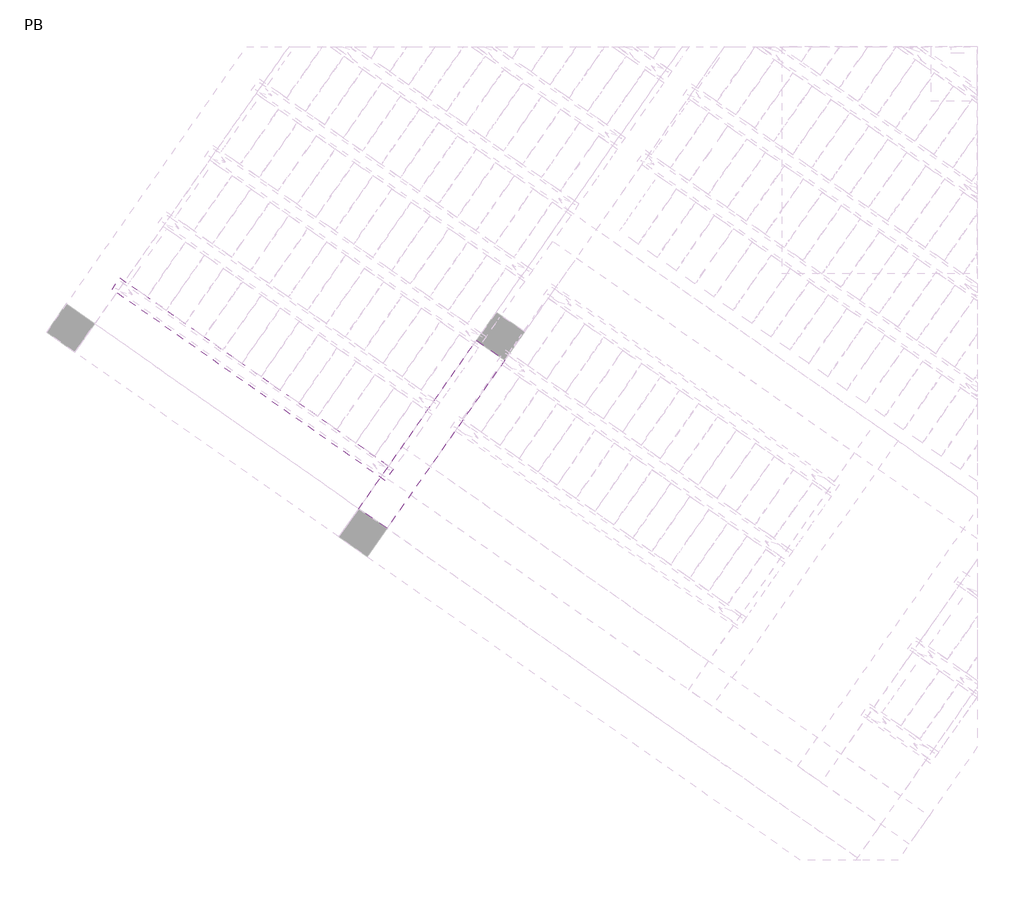
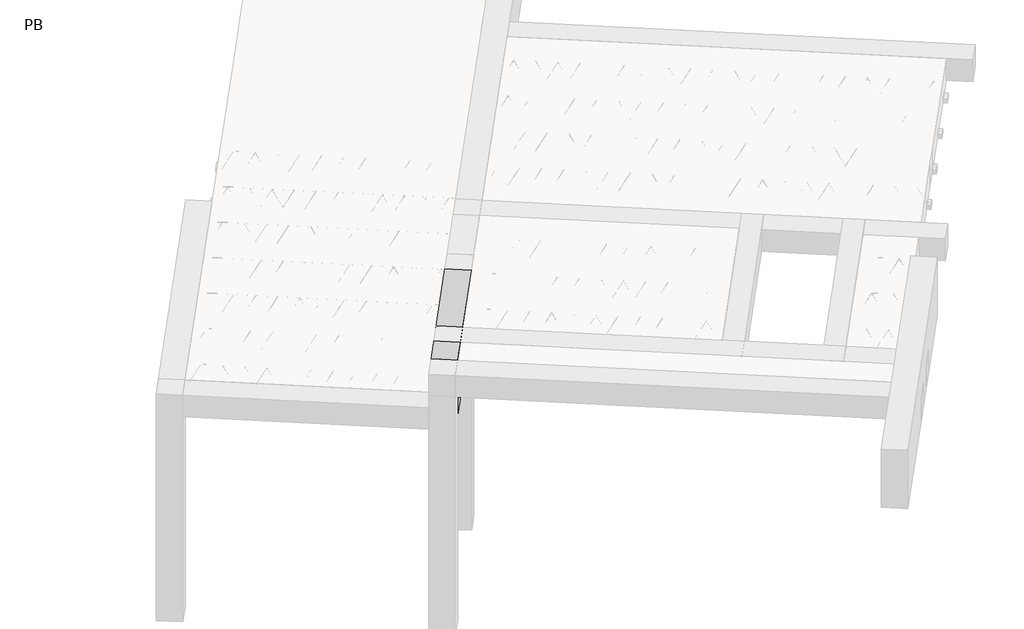
# One storey, part 6 of 56: 3 beams.
"""IFC4 building model written with IfcOpenShell, lengths in millimetres."""

from ifc_helpers import new_model, si_unit, point, frame, origin, origin_2d, place, context, project, spatial, polyline, circle_curve, trimmed, segment, composite_curve, outline, extrude, element, save

model = new_model("IFC4")

# Units and contexts
model_context = context("Model", 3, world=origin())
ifc_project = project(units=[si_unit("LENGTHUNIT", "METRE", prefix="MILLI")], contexts=[model_context])

# Site, building, storey
site = spatial("IfcSite", under=ifc_project)
building = spatial("IfcBuilding", under=site)
storey = spatial("IfcBuildingStorey", under=building, Name="PB", Elevation=95940.0)

# Beams
placement = place(None, origin())
element("IfcBeam", 1, at=placement, inside=storey, context=model_context, shape_type="SweptSolid", body=[
    extrude(outline(polyline([(-1214.677489, 2669.8249768), (-1145.8483166, 2768.1232221), (1217.2245664, 1113.481776), (1148.395394, 1015.1835307), (-1214.677489, 2669.8249768)])), frame((0.0, 0.0, 98760.0), z_axis=(0.0, 0.0, 1.0), x_axis=(1.0, 0.0, 0.0)), (0.0, 0.0, 1.0), 50.0),
    extrude(outline(composite_curve([segment(trimmed(circle_curve(origin_2d(), 2.5), [point((-2.5, 0.0))], [point((2.5, 0.0))], False, "CARTESIAN"), True, "CONTINUOUS"), segment(trimmed(circle_curve(origin_2d(), 2.5), [point((2.5, 0.0))], [point((-2.5, 0.0))], False, "CARTESIAN"), True, "CONTINUOUS")], self_intersect=False)), frame((1142.5015794, 1048.6090142, 98785.0), z_axis=(-0.8191520442696126, 0.5735764363787226, 0.0), x_axis=(0.5735764363787226, 0.8191520442696126, 0.0)), (0.0, 0.0, 1.0), 2836.779327),
    extrude(outline(composite_curve([segment(trimmed(circle_curve(origin_2d(), 2.5), [point((-2.4999999, 0.0))], [point((2.5, 0.0))], False, "CARTESIAN"), True, "CONTINUOUS"), segment(trimmed(circle_curve(origin_2d(), 2.5), [point((2.5, 0.0))], [point((-2.4999999, 0.0))], False, "CARTESIAN"), True, "CONTINUOUS")], self_intersect=False)), frame((1066.1711962, 1146.0040091, 99010.0), z_axis=(-0.8191520442696126, 0.5735764363787226, 0.0), x_axis=(0.5735764363787226, 0.8191520442696126, 0.0)), (0.0, 0.0, 1.0), 2600.0),
    extrude(outline(composite_curve([segment(trimmed(circle_curve(origin_2d(), 2.5), [point((-2.5, 0.0))], [point((2.5, 1e-07))], False, "CARTESIAN"), True, "CONTINUOUS"), segment(trimmed(circle_curve(origin_2d(), 2.5), [point((2.5, 1e-07))], [point((-2.5, 0.0))], False, "CARTESIAN"), True, "CONTINUOUS")], self_intersect=False)), frame((1106.9588479, 1073.4963027, 98785.0), z_axis=(-0.3145304735701046, 0.38933448886848654, 0.8657304643902053), x_axis=(0.7778747638402499, 0.6284193279813057, 0.0)), (0.0, 0.0, 1.0), 259.8961331),
    extrude(outline(composite_curve([segment(trimmed(circle_curve(origin_2d(), 2.5), [point((2.5, 0.0))], [point((-2.5, 0.0))], False, "CARTESIAN"), True, "CONTINUOUS"), segment(trimmed(circle_curve(origin_2d(), 2.5), [point((-2.5, 0.0))], [point((2.5, 0.0))], False, "CARTESIAN"), True, "CONTINUOUS")], self_intersect=False)), frame((902.1708368, 1216.8904119, 98785.0), z_axis=(0.47343050384693375, -0.16240172737369005, 0.8657304643902051), x_axis=(-0.3244721671091268, -0.9458952440791246, 0.0)), (0.0, 0.0, 1.0), 259.8961331),
    extrude(outline(composite_curve([segment(trimmed(circle_curve(origin_2d(), 2.5), [point((-2.5, -1e-07))], [point((2.5, 0.0))], False, "CARTESIAN"), True, "CONTINUOUS"), segment(trimmed(circle_curve(origin_2d(), 2.5), [point((2.5, 0.0))], [point((-2.5, -1e-07))], False, "CARTESIAN"), True, "CONTINUOUS")], self_intersect=False)), frame((902.1708368, 1216.8904119, 98785.0), z_axis=(-0.3145304735701046, 0.38933448886848654, 0.8657304643902053), x_axis=(0.7778747638402499, 0.6284193279813057, 0.0)), (0.0, 0.0, 1.0), 259.8961331),
    extrude(outline(composite_curve([segment(trimmed(circle_curve(origin_2d(), 2.5), [point((2.5000001, 0.0))], [point((-2.5, 0.0))], False, "CARTESIAN"), True, "CONTINUOUS"), segment(trimmed(circle_curve(origin_2d(), 2.5), [point((-2.5, 0.0))], [point((2.5000001, 0.0))], False, "CARTESIAN"), True, "CONTINUOUS")], self_intersect=False)), frame((697.3828257, 1360.284521, 98785.0), z_axis=(0.47343050384693375, -0.16240172737369005, 0.8657304643902051), x_axis=(-0.3244721671091268, -0.9458952440791246, 0.0)), (0.0, 0.0, 1.0), 259.8961331),
    extrude(outline(composite_curve([segment(trimmed(circle_curve(origin_2d(), 2.5), [point((-2.5, -1e-07))], [point((2.5, 0.0))], False, "CARTESIAN"), True, "CONTINUOUS"), segment(trimmed(circle_curve(origin_2d(), 2.5), [point((2.5, 0.0))], [point((-2.5, -1e-07))], False, "CARTESIAN"), True, "CONTINUOUS")], self_intersect=False)), frame((697.3828257, 1360.284521, 98785.0), z_axis=(-0.3145304735701046, 0.38933448886848654, 0.8657304643902053), x_axis=(0.7778747638402499, 0.6284193279813057, 0.0)), (0.0, 0.0, 1.0), 259.8961331),
    extrude(outline(composite_curve([segment(trimmed(circle_curve(origin_2d(), 2.5), [point((2.5000001, 0.0))], [point((-2.5, 0.0))], False, "CARTESIAN"), True, "CONTINUOUS"), segment(trimmed(circle_curve(origin_2d(), 2.5), [point((-2.5, 0.0))], [point((2.5000001, 0.0))], False, "CARTESIAN"), True, "CONTINUOUS")], self_intersect=False)), frame((492.5948147, 1503.6786301, 98785.0), z_axis=(0.47343050384693375, -0.16240172737369005, 0.8657304643902051), x_axis=(-0.3244721671091268, -0.9458952440791246, 0.0)), (0.0, 0.0, 1.0), 259.8961331),
    extrude(outline(composite_curve([segment(trimmed(circle_curve(origin_2d(), 2.5), [point((-2.5000001, 0.0))], [point((2.5, 0.0))], False, "CARTESIAN"), True, "CONTINUOUS"), segment(trimmed(circle_curve(origin_2d(), 2.5), [point((2.5, 0.0))], [point((-2.5000001, 0.0))], False, "CARTESIAN"), True, "CONTINUOUS")], self_intersect=False)), frame((492.5948147, 1503.6786301, 98785.0), z_axis=(-0.3145304735701046, 0.38933448886848654, 0.8657304643902053), x_axis=(0.7778747638402499, 0.6284193279813057, 0.0)), (0.0, 0.0, 1.0), 259.8961331),
    extrude(outline(composite_curve([segment(trimmed(circle_curve(origin_2d(), 2.5), [point((2.5, 0.0))], [point((-2.5000001, 0.0))], False, "CARTESIAN"), True, "CONTINUOUS"), segment(trimmed(circle_curve(origin_2d(), 2.5), [point((-2.5000001, 0.0))], [point((2.5, 0.0))], False, "CARTESIAN"), True, "CONTINUOUS")], self_intersect=False)), frame((287.8068036, 1647.0727391, 98785.0), z_axis=(0.47343050384693375, -0.16240172737369005, 0.8657304643902051), x_axis=(-0.3244721671091268, -0.9458952440791246, 0.0)), (0.0, 0.0, 1.0), 259.8961331),
    extrude(outline(composite_curve([segment(trimmed(circle_curve(origin_2d(), 2.5), [point((-2.5, -1e-07))], [point((2.5, 0.0))], False, "CARTESIAN"), True, "CONTINUOUS"), segment(trimmed(circle_curve(origin_2d(), 2.5), [point((2.5, 0.0))], [point((-2.5, -1e-07))], False, "CARTESIAN"), True, "CONTINUOUS")], self_intersect=False)), frame((287.806804, 1647.0727389, 98785.0), z_axis=(-0.3145304735701046, 0.38933448886848654, 0.8657304643902053), x_axis=(0.7778747638402499, 0.6284193279813057, 0.0)), (0.0, 0.0, 1.0), 259.8961331),
    extrude(outline(composite_curve([segment(trimmed(circle_curve(origin_2d(), 2.5), [point((2.5000001, 0.0))], [point((-2.5, 1e-07))], False, "CARTESIAN"), True, "CONTINUOUS"), segment(trimmed(circle_curve(origin_2d(), 2.5), [point((-2.5, 1e-07))], [point((2.5000001, 0.0))], False, "CARTESIAN"), True, "CONTINUOUS")], self_intersect=False)), frame((83.0187929, 1790.466848, 98785.0), z_axis=(0.47343050384693375, -0.16240172737369005, 0.8657304643902051), x_axis=(-0.3244721671091268, -0.9458952440791246, 0.0)), (0.0, 0.0, 1.0), 259.8961331),
    extrude(outline(composite_curve([segment(trimmed(circle_curve(origin_2d(), 2.5), [point((-2.5, -1e-07))], [point((2.5, 0.0))], False, "CARTESIAN"), True, "CONTINUOUS"), segment(trimmed(circle_curve(origin_2d(), 2.5), [point((2.5, 0.0))], [point((-2.5, -1e-07))], False, "CARTESIAN"), True, "CONTINUOUS")], self_intersect=False)), frame((83.0187929, 1790.466848, 98785.0), z_axis=(-0.3145304735701046, 0.38933448886848654, 0.8657304643902053), x_axis=(0.7778747638402499, 0.6284193279813057, 0.0)), (0.0, 0.0, 1.0), 259.8961331),
    extrude(outline(composite_curve([segment(trimmed(circle_curve(origin_2d(), 2.5), [point((2.5000001, 0.0))], [point((-2.5, 0.0))], False, "CARTESIAN"), True, "CONTINUOUS"), segment(trimmed(circle_curve(origin_2d(), 2.5), [point((-2.5, 0.0))], [point((2.5000001, 0.0))], False, "CARTESIAN"), True, "CONTINUOUS")], self_intersect=False)), frame((-121.7692181, 1933.8609571, 98785.0), z_axis=(0.47343050384693375, -0.16240172737369005, 0.8657304643902051), x_axis=(-0.3244721671091268, -0.9458952440791246, 0.0)), (0.0, 0.0, 1.0), 259.8961331),
    extrude(outline(composite_curve([segment(trimmed(circle_curve(origin_2d(), 2.5), [point((-2.5, -1e-07))], [point((2.5, 0.0))], False, "CARTESIAN"), True, "CONTINUOUS"), segment(trimmed(circle_curve(origin_2d(), 2.5), [point((2.5, 0.0))], [point((-2.5, -1e-07))], False, "CARTESIAN"), True, "CONTINUOUS")], self_intersect=False)), frame((-121.7692181, 1933.8609571, 98785.0), z_axis=(-0.3145304735701046, 0.38933448886848654, 0.8657304643902053), x_axis=(0.7778747638402499, 0.6284193279813057, 0.0)), (0.0, 0.0, 1.0), 259.8961331),
    extrude(outline(composite_curve([segment(trimmed(circle_curve(origin_2d(), 2.5), [point((2.5, 0.0))], [point((-2.5000001, 0.0))], False, "CARTESIAN"), True, "CONTINUOUS"), segment(trimmed(circle_curve(origin_2d(), 2.5), [point((-2.5000001, 0.0))], [point((2.5, 0.0))], False, "CARTESIAN"), True, "CONTINUOUS")], self_intersect=False)), frame((-326.5572292, 2077.2550661, 98785.0), z_axis=(0.47343050384693375, -0.16240172737369005, 0.8657304643902051), x_axis=(-0.3244721671091268, -0.9458952440791246, 0.0)), (0.0, 0.0, 1.0), 259.8961331),
    extrude(outline(composite_curve([segment(trimmed(circle_curve(origin_2d(), 2.5), [point((-2.5, 0.0))], [point((2.5, 1e-07))], False, "CARTESIAN"), True, "CONTINUOUS"), segment(trimmed(circle_curve(origin_2d(), 2.5), [point((2.5, 1e-07))], [point((-2.5, 0.0))], False, "CARTESIAN"), True, "CONTINUOUS")], self_intersect=False)), frame((-326.5572292, 2077.2550661, 98785.0), z_axis=(-0.3145304735701046, 0.38933448886848654, 0.8657304643902053), x_axis=(0.7778747638402499, 0.6284193279813057, 0.0)), (0.0, 0.0, 1.0), 259.8961331),
    extrude(outline(composite_curve([segment(trimmed(circle_curve(origin_2d(), 2.5), [point((2.5, 0.0))], [point((-2.5000001, 0.0))], False, "CARTESIAN"), True, "CONTINUOUS"), segment(trimmed(circle_curve(origin_2d(), 2.5), [point((-2.5000001, 0.0))], [point((2.5, 0.0))], False, "CARTESIAN"), True, "CONTINUOUS")], self_intersect=False)), frame((-531.3452403, 2220.6491752, 98785.0), z_axis=(0.47343050384693375, -0.16240172737369005, 0.8657304643902051), x_axis=(-0.3244721671091268, -0.9458952440791246, 0.0)), (0.0, 0.0, 1.0), 259.8961331),
    extrude(outline(composite_curve([segment(trimmed(circle_curve(origin_2d(), 2.5), [point((-2.5, 0.0))], [point((2.5, 1e-07))], False, "CARTESIAN"), True, "CONTINUOUS"), segment(trimmed(circle_curve(origin_2d(), 2.5), [point((2.5, 1e-07))], [point((-2.5, 0.0))], False, "CARTESIAN"), True, "CONTINUOUS")], self_intersect=False)), frame((-531.3452403, 2220.6491752, 98785.0), z_axis=(-0.3145304735701046, 0.38933448886848654, 0.8657304643902053), x_axis=(0.7778747638402499, 0.6284193279813057, 0.0)), (0.0, 0.0, 1.0), 259.8961331),
    extrude(outline(composite_curve([segment(trimmed(circle_curve(origin_2d(), 2.5), [point((2.5, -1e-07))], [point((-2.5, 0.0))], False, "CARTESIAN"), True, "CONTINUOUS"), segment(trimmed(circle_curve(origin_2d(), 2.5), [point((-2.5, 0.0))], [point((2.5, -1e-07))], False, "CARTESIAN"), True, "CONTINUOUS")], self_intersect=False)), frame((-736.1332513, 2364.0432843, 98785.0), z_axis=(0.47343050384693375, -0.16240172737369005, 0.8657304643902051), x_axis=(-0.3244721671091268, -0.9458952440791246, 0.0)), (0.0, 0.0, 1.0), 259.8961331),
    extrude(outline(composite_curve([segment(trimmed(circle_curve(origin_2d(), 2.5), [point((-2.5, 0.0))], [point((2.5, 1e-07))], False, "CARTESIAN"), True, "CONTINUOUS"), segment(trimmed(circle_curve(origin_2d(), 2.5), [point((2.5, 1e-07))], [point((-2.5, 0.0))], False, "CARTESIAN"), True, "CONTINUOUS")], self_intersect=False)), frame((-736.1332513, 2364.0432843, 98785.0), z_axis=(-0.3145304735701046, 0.38933448886848654, 0.8657304643902053), x_axis=(0.7778747638402499, 0.6284193279813057, 0.0)), (0.0, 0.0, 1.0), 259.8961331),
    extrude(outline(composite_curve([segment(trimmed(circle_curve(origin_2d(), 2.5), [point((2.5, 0.0))], [point((-2.5, 0.0))], False, "CARTESIAN"), True, "CONTINUOUS"), segment(trimmed(circle_curve(origin_2d(), 2.5), [point((-2.5, 0.0))], [point((2.5, 0.0))], False, "CARTESIAN"), True, "CONTINUOUS")], self_intersect=False)), frame((-940.9212624, 2507.4373934, 98785.0), z_axis=(0.47343050384693375, -0.16240172737369005, 0.8657304643902051), x_axis=(-0.3244721671091268, -0.9458952440791246, 0.0)), (0.0, 0.0, 1.0), 259.8961331),
    extrude(outline(composite_curve([segment(trimmed(circle_curve(origin_2d(), 2.5), [point((-2.5, 0.0))], [point((2.5, 1e-07))], False, "CARTESIAN"), True, "CONTINUOUS"), segment(trimmed(circle_curve(origin_2d(), 2.5), [point((2.5, 1e-07))], [point((-2.5, 0.0))], False, "CARTESIAN"), True, "CONTINUOUS")], self_intersect=False)), frame((-940.9212624, 2507.4373934, 98785.0), z_axis=(-0.3145304735701046, 0.38933448886848654, 0.8657304643902053), x_axis=(0.7778747638402499, 0.6284193279813057, 0.0)), (0.0, 0.0, 1.0), 259.8961331),
    extrude(outline(composite_curve([segment(trimmed(circle_curve(origin_2d(), 2.5), [point((2.5, 0.0))], [point((-2.5, 0.0))], False, "CARTESIAN"), True, "CONTINUOUS"), segment(trimmed(circle_curve(origin_2d(), 2.5), [point((-2.5, 0.0))], [point((2.5, 0.0))], False, "CARTESIAN"), True, "CONTINUOUS")], self_intersect=False)), frame((-1145.7092735, 2650.8315025, 98785.0), z_axis=(0.47343050384693375, -0.16240172737369005, 0.8657304643902051), x_axis=(-0.3244721671091268, -0.9458952440791246, 0.0)), (0.0, 0.0, 1.0), 259.8961331),
    extrude(outline(composite_curve([segment(trimmed(circle_curve(origin_2d(), 2.5), [point((-2.5, 0.0))], [point((2.5, 0.0))], False, "CARTESIAN"), True, "CONTINUOUS"), segment(trimmed(circle_curve(origin_2d(), 2.5), [point((2.5, 0.0))], [point((-2.5, 0.0))], False, "CARTESIAN"), True, "CONTINUOUS")], self_intersect=False)), frame((1183.7990828, 1107.5879614, 98785.0), z_axis=(-0.8191520442696126, 0.5735764363787226, 0.0), x_axis=(0.5735764363787226, 0.8191520442696126, 0.0)), (0.0, 0.0, 1.0), 2836.779327),
    extrude(outline(composite_curve([segment(trimmed(circle_curve(origin_2d(), 2.5), [point((-2.5, 0.0))], [point((2.5, 0.0))], False, "CARTESIAN"), True, "CONTINUOUS"), segment(trimmed(circle_curve(origin_2d(), 2.5), [point((2.5, 0.0))], [point((-2.5, 0.0))], False, "CARTESIAN"), True, "CONTINUOUS")], self_intersect=False)), frame((1148.2563513, 1132.4752499, 98785.0), z_axis=(-0.47343050384693375, 0.16240172737369005, 0.8657304643902051), x_axis=(0.3244721671091268, 0.9458952440791246, 0.0)), (0.0, 0.0, 1.0), 259.8961331),
    extrude(outline(composite_curve([segment(trimmed(circle_curve(origin_2d(), 2.5), [point((2.5, 1e-07))], [point((-2.5, 0.0))], False, "CARTESIAN"), True, "CONTINUOUS"), segment(trimmed(circle_curve(origin_2d(), 2.5), [point((-2.5, 0.0))], [point((2.5, 1e-07))], False, "CARTESIAN"), True, "CONTINUOUS")], self_intersect=False)), frame((943.4683402, 1275.8693591, 98785.0), z_axis=(0.3145304735701046, -0.38933448886848654, 0.8657304643902053), x_axis=(-0.7778747638402499, -0.6284193279813057, 0.0)), (0.0, 0.0, 1.0), 259.8961331),
    extrude(outline(composite_curve([segment(trimmed(circle_curve(origin_2d(), 2.5), [point((-2.5000001, 0.0))], [point((2.5, 0.0))], False, "CARTESIAN"), True, "CONTINUOUS"), segment(trimmed(circle_curve(origin_2d(), 2.5), [point((2.5, 0.0))], [point((-2.5000001, 0.0))], False, "CARTESIAN"), True, "CONTINUOUS")], self_intersect=False)), frame((943.4683402, 1275.8693591, 98785.0), z_axis=(-0.47343050384693375, 0.16240172737369005, 0.8657304643902051), x_axis=(0.3244721671091268, 0.9458952440791246, 0.0)), (0.0, 0.0, 1.0), 259.8961331),
    extrude(outline(composite_curve([segment(trimmed(circle_curve(origin_2d(), 2.5), [point((2.5, 0.0))], [point((-2.5000001, 0.0))], False, "CARTESIAN"), True, "CONTINUOUS"), segment(trimmed(circle_curve(origin_2d(), 2.5), [point((-2.5000001, 0.0))], [point((2.5, 0.0))], False, "CARTESIAN"), True, "CONTINUOUS")], self_intersect=False)), frame((738.6803291, 1419.2634681, 98785.0), z_axis=(0.3145304735701046, -0.38933448886848654, 0.8657304643902053), x_axis=(-0.7778747638402499, -0.6284193279813057, 0.0)), (0.0, 0.0, 1.0), 259.8961331),
    extrude(outline(composite_curve([segment(trimmed(circle_curve(origin_2d(), 2.5), [point((-2.5, 0.0))], [point((2.5000001, 0.0))], False, "CARTESIAN"), True, "CONTINUOUS"), segment(trimmed(circle_curve(origin_2d(), 2.5), [point((2.5000001, 0.0))], [point((-2.5, 0.0))], False, "CARTESIAN"), True, "CONTINUOUS")], self_intersect=False)), frame((738.6803291, 1419.2634681, 98785.0), z_axis=(-0.47343050384693375, 0.16240172737369005, 0.8657304643902051), x_axis=(0.3244721671091268, 0.9458952440791246, 0.0)), (0.0, 0.0, 1.0), 259.8961331),
    extrude(outline(composite_curve([segment(trimmed(circle_curve(origin_2d(), 2.5), [point((2.5, 0.0))], [point((-2.5, -1e-07))], False, "CARTESIAN"), True, "CONTINUOUS"), segment(trimmed(circle_curve(origin_2d(), 2.5), [point((-2.5, -1e-07))], [point((2.5, 0.0))], False, "CARTESIAN"), True, "CONTINUOUS")], self_intersect=False)), frame((533.8923181, 1562.6575772, 98785.0), z_axis=(0.3145304735701046, -0.38933448886848654, 0.8657304643902053), x_axis=(-0.7778747638402499, -0.6284193279813057, 0.0)), (0.0, 0.0, 1.0), 259.8961331),
    extrude(outline(composite_curve([segment(trimmed(circle_curve(origin_2d(), 2.5), [point((-2.5, 0.0))], [point((2.5000001, 0.0))], False, "CARTESIAN"), True, "CONTINUOUS"), segment(trimmed(circle_curve(origin_2d(), 2.5), [point((2.5000001, 0.0))], [point((-2.5, 0.0))], False, "CARTESIAN"), True, "CONTINUOUS")], self_intersect=False)), frame((533.8923181, 1562.6575772, 98785.0), z_axis=(-0.47343050384693375, 0.16240172737369005, 0.8657304643902051), x_axis=(0.3244721671091268, 0.9458952440791246, 0.0)), (0.0, 0.0, 1.0), 259.8961331),
    extrude(outline(composite_curve([segment(trimmed(circle_curve(origin_2d(), 2.5), [point((2.5, 0.0))], [point((-2.5, -1e-07))], False, "CARTESIAN"), True, "CONTINUOUS"), segment(trimmed(circle_curve(origin_2d(), 2.5), [point((-2.5, -1e-07))], [point((2.5, 0.0))], False, "CARTESIAN"), True, "CONTINUOUS")], self_intersect=False)), frame((329.104307, 1706.0516863, 98785.0), z_axis=(0.3145304735701046, -0.38933448886848654, 0.8657304643902053), x_axis=(-0.7778747638402499, -0.6284193279813057, 0.0)), (0.0, 0.0, 1.0), 259.8961331),
    extrude(outline(composite_curve([segment(trimmed(circle_curve(origin_2d(), 2.5), [point((-2.5000001, 0.0))], [point((2.5, 0.0))], False, "CARTESIAN"), True, "CONTINUOUS"), segment(trimmed(circle_curve(origin_2d(), 2.5), [point((2.5, 0.0))], [point((-2.5000001, 0.0))], False, "CARTESIAN"), True, "CONTINUOUS")], self_intersect=False)), frame((329.1043074, 1706.0516861, 98785.0), z_axis=(-0.47343050384693375, 0.16240172737369005, 0.8657304643902051), x_axis=(0.3244721671091268, 0.9458952440791246, 0.0)), (0.0, 0.0, 1.0), 259.8961331),
    extrude(outline(composite_curve([segment(trimmed(circle_curve(origin_2d(), 2.5), [point((2.5000001, -1e-07))], [point((-2.5, -1e-07))], False, "CARTESIAN"), True, "CONTINUOUS"), segment(trimmed(circle_curve(origin_2d(), 2.5), [point((-2.5, -1e-07))], [point((2.5000001, -1e-07))], False, "CARTESIAN"), True, "CONTINUOUS")], self_intersect=False)), frame((124.3162964, 1849.4457951, 98785.0), z_axis=(0.3145304735701046, -0.38933448886848654, 0.8657304643902053), x_axis=(-0.7778747638402499, -0.6284193279813057, 0.0)), (0.0, 0.0, 1.0), 259.8961331),
    extrude(outline(composite_curve([segment(trimmed(circle_curve(origin_2d(), 2.5), [point((-2.5, 0.0))], [point((2.5000001, 0.0))], False, "CARTESIAN"), True, "CONTINUOUS"), segment(trimmed(circle_curve(origin_2d(), 2.5), [point((2.5000001, 0.0))], [point((-2.5, 0.0))], False, "CARTESIAN"), True, "CONTINUOUS")], self_intersect=False)), frame((124.3162963, 1849.4457951, 98785.0), z_axis=(-0.47343050384693375, 0.16240172737369005, 0.8657304643902051), x_axis=(0.3244721671091268, 0.9458952440791246, 0.0)), (0.0, 0.0, 1.0), 259.8961331),
    extrude(outline(composite_curve([segment(trimmed(circle_curve(origin_2d(), 2.5), [point((2.5, 0.0))], [point((-2.5, -1e-07))], False, "CARTESIAN"), True, "CONTINUOUS"), segment(trimmed(circle_curve(origin_2d(), 2.5), [point((-2.5, -1e-07))], [point((2.5, 0.0))], False, "CARTESIAN"), True, "CONTINUOUS")], self_intersect=False)), frame((-80.4717147, 1992.8399042, 98785.0), z_axis=(0.3145304735701046, -0.38933448886848654, 0.8657304643902053), x_axis=(-0.7778747638402499, -0.6284193279813057, 0.0)), (0.0, 0.0, 1.0), 259.8961331),
    extrude(outline(composite_curve([segment(trimmed(circle_curve(origin_2d(), 2.5), [point((-2.5, 0.0))], [point((2.5, 0.0))], False, "CARTESIAN"), True, "CONTINUOUS"), segment(trimmed(circle_curve(origin_2d(), 2.5), [point((2.5, 0.0))], [point((-2.5, 0.0))], False, "CARTESIAN"), True, "CONTINUOUS")], self_intersect=False)), frame((-80.4717147, 1992.8399042, 98785.0), z_axis=(-0.47343050384693375, 0.16240172737369005, 0.8657304643902051), x_axis=(0.3244721671091268, 0.9458952440791246, 0.0)), (0.0, 0.0, 1.0), 259.8961331),
    extrude(outline(composite_curve([segment(trimmed(circle_curve(origin_2d(), 2.5), [point((2.5, 0.0))], [point((-2.5, -1e-07))], False, "CARTESIAN"), True, "CONTINUOUS"), segment(trimmed(circle_curve(origin_2d(), 2.5), [point((-2.5, -1e-07))], [point((2.5, 0.0))], False, "CARTESIAN"), True, "CONTINUOUS")], self_intersect=False)), frame((-285.2597258, 2136.2340133, 98785.0), z_axis=(0.3145304735701046, -0.38933448886848654, 0.8657304643902053), x_axis=(-0.7778747638402499, -0.6284193279813057, 0.0)), (0.0, 0.0, 1.0), 259.8961331),
    extrude(outline(composite_curve([segment(trimmed(circle_curve(origin_2d(), 2.5), [point((-2.5, 0.0))], [point((2.5, 0.0))], False, "CARTESIAN"), True, "CONTINUOUS"), segment(trimmed(circle_curve(origin_2d(), 2.5), [point((2.5, 0.0))], [point((-2.5, 0.0))], False, "CARTESIAN"), True, "CONTINUOUS")], self_intersect=False)), frame((-285.2597258, 2136.2340133, 98785.0), z_axis=(-0.47343050384693375, 0.16240172737369005, 0.8657304643902051), x_axis=(0.3244721671091268, 0.9458952440791246, 0.0)), (0.0, 0.0, 1.0), 259.8961331),
    extrude(outline(composite_curve([segment(trimmed(circle_curve(origin_2d(), 2.5), [point((2.5, 0.0))], [point((-2.5000001, 1e-07))], False, "CARTESIAN"), True, "CONTINUOUS"), segment(trimmed(circle_curve(origin_2d(), 2.5), [point((-2.5000001, 1e-07))], [point((2.5, 0.0))], False, "CARTESIAN"), True, "CONTINUOUS")], self_intersect=False)), frame((-490.0477369, 2279.6281224, 98785.0), z_axis=(0.3145304735701046, -0.38933448886848654, 0.8657304643902053), x_axis=(-0.7778747638402499, -0.6284193279813057, 0.0)), (0.0, 0.0, 1.0), 259.8961331),
    extrude(outline(composite_curve([segment(trimmed(circle_curve(origin_2d(), 2.5), [point((-2.5, 0.0))], [point((2.5, -1e-07))], False, "CARTESIAN"), True, "CONTINUOUS"), segment(trimmed(circle_curve(origin_2d(), 2.5), [point((2.5, -1e-07))], [point((-2.5, 0.0))], False, "CARTESIAN"), True, "CONTINUOUS")], self_intersect=False)), frame((-490.0477369, 2279.6281224, 98785.0), z_axis=(-0.47343050384693375, 0.16240172737369005, 0.8657304643902051), x_axis=(0.3244721671091268, 0.9458952440791246, 0.0)), (0.0, 0.0, 1.0), 259.8961331),
    extrude(outline(composite_curve([segment(trimmed(circle_curve(origin_2d(), 2.5), [point((2.5, 0.0))], [point((-2.5, 0.0))], False, "CARTESIAN"), True, "CONTINUOUS"), segment(trimmed(circle_curve(origin_2d(), 2.5), [point((-2.5, 0.0))], [point((2.5, 0.0))], False, "CARTESIAN"), True, "CONTINUOUS")], self_intersect=False)), frame((-694.8357479, 2423.0222315, 98785.0), z_axis=(0.3145304735701046, -0.38933448886848654, 0.8657304643902053), x_axis=(-0.7778747638402499, -0.6284193279813057, 0.0)), (0.0, 0.0, 1.0), 259.8961331),
    extrude(outline(composite_curve([segment(trimmed(circle_curve(origin_2d(), 2.5), [point((-2.5, 0.0))], [point((2.5, 0.0))], False, "CARTESIAN"), True, "CONTINUOUS"), segment(trimmed(circle_curve(origin_2d(), 2.5), [point((2.5, 0.0))], [point((-2.5, 0.0))], False, "CARTESIAN"), True, "CONTINUOUS")], self_intersect=False)), frame((-694.8357479, 2423.0222315, 98785.0), z_axis=(-0.47343050384693375, 0.16240172737369005, 0.8657304643902051), x_axis=(0.3244721671091268, 0.9458952440791246, 0.0)), (0.0, 0.0, 1.0), 259.8961331),
    extrude(outline(composite_curve([segment(trimmed(circle_curve(origin_2d(), 2.5), [point((2.5, 0.0))], [point((-2.5, 0.0))], False, "CARTESIAN"), True, "CONTINUOUS"), segment(trimmed(circle_curve(origin_2d(), 2.5), [point((-2.5, 0.0))], [point((2.5, 0.0))], False, "CARTESIAN"), True, "CONTINUOUS")], self_intersect=False)), frame((-899.623759, 2566.4163406, 98785.0), z_axis=(0.3145304735701046, -0.38933448886848654, 0.8657304643902053), x_axis=(-0.7778747638402499, -0.6284193279813057, 0.0)), (0.0, 0.0, 1.0), 259.8961331),
    extrude(outline(composite_curve([segment(trimmed(circle_curve(origin_2d(), 2.5), [point((-2.5, 0.0))], [point((2.5, 0.0))], False, "CARTESIAN"), True, "CONTINUOUS"), segment(trimmed(circle_curve(origin_2d(), 2.5), [point((2.5, 0.0))], [point((-2.5, 0.0))], False, "CARTESIAN"), True, "CONTINUOUS")], self_intersect=False)), frame((-899.623759, 2566.4163406, 98785.0), z_axis=(-0.47343050384693375, 0.16240172737369005, 0.8657304643902051), x_axis=(0.3244721671091268, 0.9458952440791246, 0.0)), (0.0, 0.0, 1.0), 259.8961331),
    extrude(outline(composite_curve([segment(trimmed(circle_curve(origin_2d(), 2.5), [point((2.5, 0.0))], [point((-2.5000001, 1e-07))], False, "CARTESIAN"), True, "CONTINUOUS"), segment(trimmed(circle_curve(origin_2d(), 2.5), [point((-2.5000001, 1e-07))], [point((2.5, 0.0))], False, "CARTESIAN"), True, "CONTINUOUS")], self_intersect=False)), frame((-1104.4117701, 2709.8104497, 98785.0), z_axis=(0.3145304735701046, -0.38933448886848654, 0.8657304643902053), x_axis=(-0.7778747638402499, -0.6284193279813057, 0.0)), (0.0, 0.0, 1.0), 259.8961331),
])
element("IfcBeam", 2, at=placement, inside=storey, context=model_context, shape_type="SweptSolid", body=[
    extrude(outline(polyline([(1713.7293083, 1473.8746744), (1782.5584807, 1572.1729197), (4268.8360424, -168.7373712), (4200.00687, -267.0356165), (1713.7293083, 1473.8746744)])), frame((0.0, 0.0, 99220.0), z_axis=(0.0, 0.0, 1.0), x_axis=(1.0, 0.0, 0.0)), (0.0, 0.0, 1.0), 50.0),
])
element("IfcBeam", 3, at=placement, inside=storey, context=model_context, shape_type="SweptSolid", body=[
    extrude(outline(polyline([(1163.7858445, 601.301673), (918.0402313, 773.3746039), (1935.6637656, 2226.691626), (2181.4093789, 2054.6186951), (1163.7858445, 601.301673)])), frame((0.0, 0.0, 98760.0), z_axis=(0.0, 0.0, 1.0), x_axis=(1.0, 0.0, 0.0)), (0.0, 0.0, 1.0), 760.0),
])

save(model, "model.ifc")
